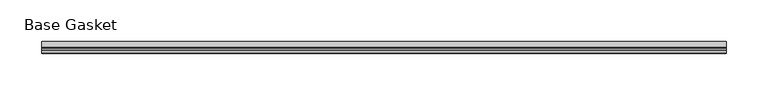
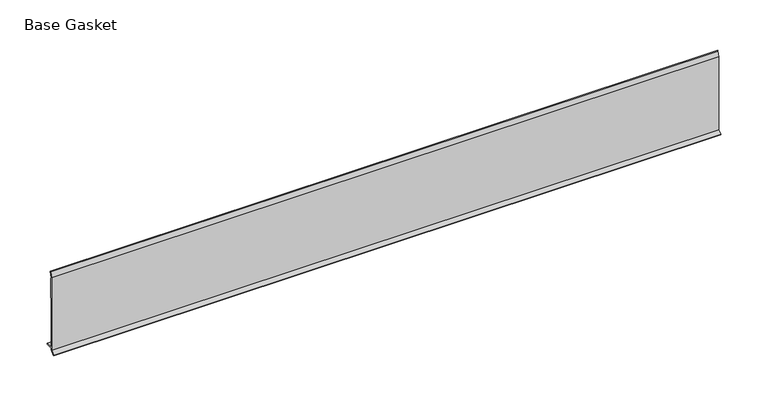
"""IFC4 building model written with IfcOpenShell, lengths in millimetres: furniture geometry, Base Gasket."""

from ifc_helpers import new_model, si_unit, frame, origin, place, context, project, spatial, polyline, outline, extrude, source, transform, mapped, element, save


def base_gasket_b327c4ea(model_context):
    return source(origin(), model_context, "Body", "SweptSolid", [
        extrude(outline(polyline([(-3.7283812, 98.4568417), (-1.1891543, 104.587663), (-0.6755308, 105.2002997), (-0.6755308, 104.4162708), (-2.2043812, 98.4568417), (-2.2043812, 96.8693477), (-1.4106313, 96.8693477), (-1.4106313, 71.4693447), (-2.2043812, 71.4693447), (-2.2043812, 7.9398773), (6.2405171, 7.9398773), (6.2405171, 6.3818476), (-2.1334222, 6.3818476), (-2.2043812, 4.3498477), (-6.8281054, 0.3520979), (-7.8482342, 0.0), (-7.4222115, 0.6560174), (-3.7283812, 4.3498477), (-3.7283812, 98.4568417)])), frame((-1527.8982117, 0.0, 0.0), z_axis=(1.0, 0.0, 0.0), x_axis=(0.0, 1.0, 0.0)), (0.0, 0.0, 1.0), 818.0090928),
    ])


if __name__ == "__main__":
    model = new_model("IFC4")
    model_context = context("Model", 3, world=origin())
    ifc_project = project(units=[si_unit("LENGTHUNIT", "METRE", prefix="MILLI")], contexts=[model_context])
    site = spatial("IfcSite", under=ifc_project)
    building = spatial("IfcBuilding", under=site)
    placement = place(None, origin())
    base_gasket_shape = base_gasket_b327c4ea(model_context)
    element("IfcFurniture", 1, ObjectType="Base Gasket", at=placement, inside=building, context=model_context, shape_type="MappedRepresentation", body=[
        mapped(base_gasket_shape, transform((0.0, 0.0, 0.0), x_axis=(1.0, 0.0, 0.0), y_axis=(0.0, 1.0, 0.0), z_axis=(0.0, 0.0, 1.0))),
    ])
    save(model, "model.ifc")
